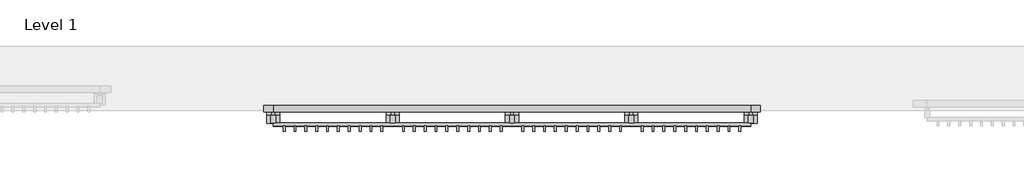
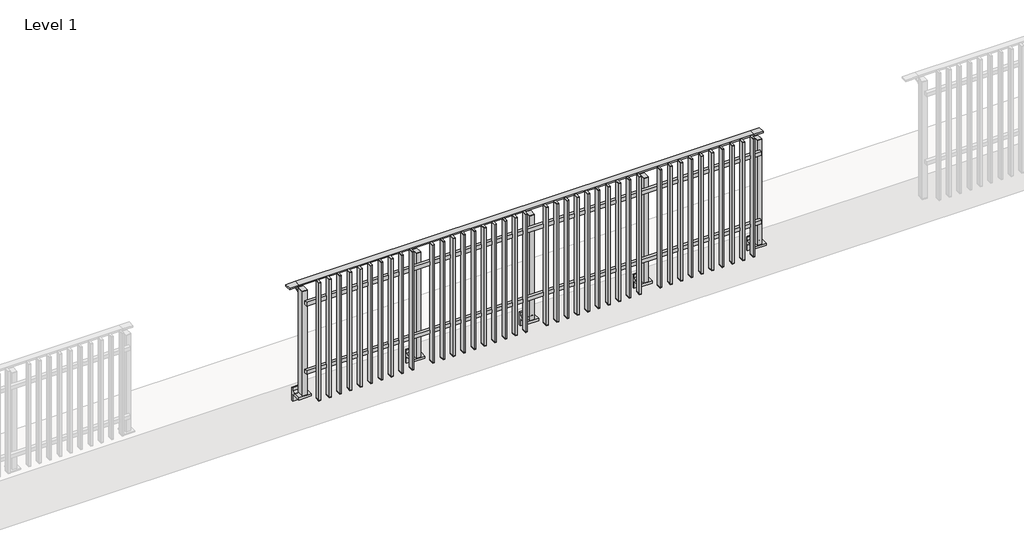
# One storey, part 2 of 17: 1 railing.
"""IFC4 building model written with IfcOpenShell, lengths in millimetres."""

from ifc_helpers import new_model, si_unit, point, frame, frame_2d, origin, place, context, project, spatial, polyline, circle_curve, trimmed, segment, composite_curve, outline, extrude, faceted_brep, element, save

model = new_model("IFC4")

# Units and contexts
model_context = context("Model", 3, world=origin())
ifc_project = project(units=[si_unit("LENGTHUNIT", "METRE", prefix="MILLI")], contexts=[model_context])

# Site, building, storey
site = spatial("IfcSite", under=ifc_project)
building = spatial("IfcBuilding", under=site)
storey = spatial("IfcBuildingStorey", under=building, Name="Level 1", Elevation=0.0)

# Railing
placement = place(None, origin())
element("IfcRailing", 1, at=placement, inside=storey, context=model_context, shape_type="SolidModel", body=[
    faceted_brep([(11910.0, -57.3153172, 1000.0), (11910.0, -57.3153172, 985.0), (11910.0, -117.3153172, 985.0), (11910.0, -117.3153172, 1000.0), (12000.0, -57.3153172, 1000.0), (12000.0, -57.3153172, 985.0), (12000.0, -117.3153172, 985.0), (12000.0, -117.3153172, 1000.0), (16400.0, -57.3153172, 1000.0), (16400.0, -57.3153172, 985.0), (16400.0, -117.3153172, 985.0), (16400.0, -117.3153172, 1000.0), (16490.0, -57.3153172, 1000.0), (16490.0, -117.3153172, 1000.0), (16490.0, -117.3153172, 985.0), (16490.0, -57.3153172, 985.0)], [[[0, 1, 2, 3]], [[1, 0, 4, 5]], [[2, 1, 5, 6]], [[3, 2, 6, 7]], [[0, 3, 7, 4]], [[5, 4, 8, 9]], [[6, 5, 9, 10]], [[7, 6, 10, 11]], [[4, 7, 11, 8]], [[12, 13, 14, 15]], [[9, 8, 12, 15]], [[10, 9, 15, 14]], [[11, 10, 14, 13]], [[8, 11, 13, 12]]]),
    extrude(outline(polyline([(12000.0, -246.8153172), (12000.0, -214.8153172), (16400.0, -214.8153172), (16400.0, -246.8153172), (12000.0, -246.8153172)])), frame((0.0, 0.0, 164.0), z_axis=(0.0, 0.0, 1.0), x_axis=(1.0, 0.0, 0.0)), (0.0, 0.0, 1.0), 36.0),
    extrude(outline(polyline([(12000.0, -246.8153172), (12000.0, -214.8153172), (16400.0, -214.8153172), (16400.0, -246.8153172), (12000.0, -246.8153172)])), frame((0.0, 0.0, 864.0), z_axis=(0.0, 0.0, 1.0), x_axis=(1.0, 0.0, 0.0)), (0.0, 0.0, 1.0), 36.0),
    extrude(outline(polyline([(16308.5, -246.8153172), (16308.5, -295.8153172), (16291.5, -295.8153172), (16291.5, -246.8153172), (16308.5, -246.8153172)])), frame((0.0, 0.0, -110.0), z_axis=(0.0, 0.0, 1.0), x_axis=(1.0, 0.0, 0.0)), (0.0, 0.0, 1.0), 5.0),
    extrude(outline(polyline([(16308.5, -246.8153172), (16308.5, -295.8153172), (16291.5, -295.8153172), (16291.5, -246.8153172), (16308.5, -246.8153172)])), frame((0.0, 0.0, 1095.0), z_axis=(0.0, 0.0, 1.0), x_axis=(1.0, 0.0, 0.0)), (0.0, 0.0, 1.0), 5.0),
    extrude(outline(polyline([(16291.5, -295.8153172), (16291.5, -246.8153172), (16308.5, -246.8153172), (16308.5, -295.8153172), (16291.5, -295.8153172)])), frame((0.0, 0.0, -105.0), z_axis=(0.0, 0.0, 1.0), x_axis=(1.0, 0.0, 0.0)), (0.0, 0.0, 1.0), 1200.0),
    extrude(outline(polyline([(16208.5, -246.8153172), (16208.5, -295.8153172), (16191.5, -295.8153172), (16191.5, -246.8153172), (16208.5, -246.8153172)])), frame((0.0, 0.0, -110.0), z_axis=(0.0, 0.0, 1.0), x_axis=(1.0, 0.0, 0.0)), (0.0, 0.0, 1.0), 5.0),
    extrude(outline(polyline([(16208.5, -246.8153172), (16208.5, -295.8153172), (16191.5, -295.8153172), (16191.5, -246.8153172), (16208.5, -246.8153172)])), frame((0.0, 0.0, 1095.0), z_axis=(0.0, 0.0, 1.0), x_axis=(1.0, 0.0, 0.0)), (0.0, 0.0, 1.0), 5.0),
    extrude(outline(polyline([(16191.5, -295.8153172), (16191.5, -246.8153172), (16208.5, -246.8153172), (16208.5, -295.8153172), (16191.5, -295.8153172)])), frame((0.0, 0.0, -105.0), z_axis=(0.0, 0.0, 1.0), x_axis=(1.0, 0.0, 0.0)), (0.0, 0.0, 1.0), 1200.0),
    extrude(outline(polyline([(16108.5, -246.8153172), (16108.5, -295.8153172), (16091.5, -295.8153172), (16091.5, -246.8153172), (16108.5, -246.8153172)])), frame((0.0, 0.0, -110.0), z_axis=(0.0, 0.0, 1.0), x_axis=(1.0, 0.0, 0.0)), (0.0, 0.0, 1.0), 5.0),
    extrude(outline(polyline([(16108.5, -246.8153172), (16108.5, -295.8153172), (16091.5, -295.8153172), (16091.5, -246.8153172), (16108.5, -246.8153172)])), frame((0.0, 0.0, 1095.0), z_axis=(0.0, 0.0, 1.0), x_axis=(1.0, 0.0, 0.0)), (0.0, 0.0, 1.0), 5.0),
    extrude(outline(polyline([(16091.5, -295.8153172), (16091.5, -246.8153172), (16108.5, -246.8153172), (16108.5, -295.8153172), (16091.5, -295.8153172)])), frame((0.0, 0.0, -105.0), z_axis=(0.0, 0.0, 1.0), x_axis=(1.0, 0.0, 0.0)), (0.0, 0.0, 1.0), 1200.0),
    extrude(outline(polyline([(16008.5, -246.8153172), (16008.5, -295.8153172), (15991.5, -295.8153172), (15991.5, -246.8153172), (16008.5, -246.8153172)])), frame((0.0, 0.0, -110.0), z_axis=(0.0, 0.0, 1.0), x_axis=(1.0, 0.0, 0.0)), (0.0, 0.0, 1.0), 5.0),
    extrude(outline(polyline([(16008.5, -246.8153172), (16008.5, -295.8153172), (15991.5, -295.8153172), (15991.5, -246.8153172), (16008.5, -246.8153172)])), frame((0.0, 0.0, 1095.0), z_axis=(0.0, 0.0, 1.0), x_axis=(1.0, 0.0, 0.0)), (0.0, 0.0, 1.0), 5.0),
    extrude(outline(polyline([(15991.5, -295.8153172), (15991.5, -246.8153172), (16008.5, -246.8153172), (16008.5, -295.8153172), (15991.5, -295.8153172)])), frame((0.0, 0.0, -105.0), z_axis=(0.0, 0.0, 1.0), x_axis=(1.0, 0.0, 0.0)), (0.0, 0.0, 1.0), 1200.0),
    extrude(outline(polyline([(15908.5, -246.8153172), (15908.5, -295.8153172), (15891.5, -295.8153172), (15891.5, -246.8153172), (15908.5, -246.8153172)])), frame((0.0, 0.0, -110.0), z_axis=(0.0, 0.0, 1.0), x_axis=(1.0, 0.0, 0.0)), (0.0, 0.0, 1.0), 5.0),
    extrude(outline(polyline([(15908.5, -246.8153172), (15908.5, -295.8153172), (15891.5, -295.8153172), (15891.5, -246.8153172), (15908.5, -246.8153172)])), frame((0.0, 0.0, 1095.0), z_axis=(0.0, 0.0, 1.0), x_axis=(1.0, 0.0, 0.0)), (0.0, 0.0, 1.0), 5.0),
    extrude(outline(polyline([(15891.5, -295.8153172), (15891.5, -246.8153172), (15908.5, -246.8153172), (15908.5, -295.8153172), (15891.5, -295.8153172)])), frame((0.0, 0.0, -105.0), z_axis=(0.0, 0.0, 1.0), x_axis=(1.0, 0.0, 0.0)), (0.0, 0.0, 1.0), 1200.0),
    extrude(outline(polyline([(15808.5, -246.8153172), (15808.5, -295.8153172), (15791.5, -295.8153172), (15791.5, -246.8153172), (15808.5, -246.8153172)])), frame((0.0, 0.0, -110.0), z_axis=(0.0, 0.0, 1.0), x_axis=(1.0, 0.0, 0.0)), (0.0, 0.0, 1.0), 5.0),
    extrude(outline(polyline([(15808.5, -246.8153172), (15808.5, -295.8153172), (15791.5, -295.8153172), (15791.5, -246.8153172), (15808.5, -246.8153172)])), frame((0.0, 0.0, 1095.0), z_axis=(0.0, 0.0, 1.0), x_axis=(1.0, 0.0, 0.0)), (0.0, 0.0, 1.0), 5.0),
    extrude(outline(polyline([(15791.5, -295.8153172), (15791.5, -246.8153172), (15808.5, -246.8153172), (15808.5, -295.8153172), (15791.5, -295.8153172)])), frame((0.0, 0.0, -105.0), z_axis=(0.0, 0.0, 1.0), x_axis=(1.0, 0.0, 0.0)), (0.0, 0.0, 1.0), 1200.0),
    extrude(outline(polyline([(15708.5, -246.8153172), (15708.5, -295.8153172), (15691.5, -295.8153172), (15691.5, -246.8153172), (15708.5, -246.8153172)])), frame((0.0, 0.0, -110.0), z_axis=(0.0, 0.0, 1.0), x_axis=(1.0, 0.0, 0.0)), (0.0, 0.0, 1.0), 5.0),
    extrude(outline(polyline([(15708.5, -246.8153172), (15708.5, -295.8153172), (15691.5, -295.8153172), (15691.5, -246.8153172), (15708.5, -246.8153172)])), frame((0.0, 0.0, 1095.0), z_axis=(0.0, 0.0, 1.0), x_axis=(1.0, 0.0, 0.0)), (0.0, 0.0, 1.0), 5.0),
    extrude(outline(polyline([(15691.5, -295.8153172), (15691.5, -246.8153172), (15708.5, -246.8153172), (15708.5, -295.8153172), (15691.5, -295.8153172)])), frame((0.0, 0.0, -105.0), z_axis=(0.0, 0.0, 1.0), x_axis=(1.0, 0.0, 0.0)), (0.0, 0.0, 1.0), 1200.0),
    extrude(outline(polyline([(15608.5, -246.8153172), (15608.5, -295.8153172), (15591.5, -295.8153172), (15591.5, -246.8153172), (15608.5, -246.8153172)])), frame((0.0, 0.0, -110.0), z_axis=(0.0, 0.0, 1.0), x_axis=(1.0, 0.0, 0.0)), (0.0, 0.0, 1.0), 5.0),
    extrude(outline(polyline([(15608.5, -246.8153172), (15608.5, -295.8153172), (15591.5, -295.8153172), (15591.5, -246.8153172), (15608.5, -246.8153172)])), frame((0.0, 0.0, 1095.0), z_axis=(0.0, 0.0, 1.0), x_axis=(1.0, 0.0, 0.0)), (0.0, 0.0, 1.0), 5.0),
    extrude(outline(polyline([(15591.5, -295.8153172), (15591.5, -246.8153172), (15608.5, -246.8153172), (15608.5, -295.8153172), (15591.5, -295.8153172)])), frame((0.0, 0.0, -105.0), z_axis=(0.0, 0.0, 1.0), x_axis=(1.0, 0.0, 0.0)), (0.0, 0.0, 1.0), 1200.0),
    extrude(outline(polyline([(15508.5, -246.8153172), (15508.5, -295.8153172), (15491.5, -295.8153172), (15491.5, -246.8153172), (15508.5, -246.8153172)])), frame((0.0, 0.0, -110.0), z_axis=(0.0, 0.0, 1.0), x_axis=(1.0, 0.0, 0.0)), (0.0, 0.0, 1.0), 5.0),
    extrude(outline(polyline([(15508.5, -246.8153172), (15508.5, -295.8153172), (15491.5, -295.8153172), (15491.5, -246.8153172), (15508.5, -246.8153172)])), frame((0.0, 0.0, 1095.0), z_axis=(0.0, 0.0, 1.0), x_axis=(1.0, 0.0, 0.0)), (0.0, 0.0, 1.0), 5.0),
    extrude(outline(polyline([(15491.5, -295.8153172), (15491.5, -246.8153172), (15508.5, -246.8153172), (15508.5, -295.8153172), (15491.5, -295.8153172)])), frame((0.0, 0.0, -105.0), z_axis=(0.0, 0.0, 1.0), x_axis=(1.0, 0.0, 0.0)), (0.0, 0.0, 1.0), 1200.0),
    extrude(outline(polyline([(15408.5, -246.8153172), (15408.5, -295.8153172), (15391.5, -295.8153172), (15391.5, -246.8153172), (15408.5, -246.8153172)])), frame((0.0, 0.0, -110.0), z_axis=(0.0, 0.0, 1.0), x_axis=(1.0, 0.0, 0.0)), (0.0, 0.0, 1.0), 5.0),
    extrude(outline(polyline([(15408.5, -246.8153172), (15408.5, -295.8153172), (15391.5, -295.8153172), (15391.5, -246.8153172), (15408.5, -246.8153172)])), frame((0.0, 0.0, 1095.0), z_axis=(0.0, 0.0, 1.0), x_axis=(1.0, 0.0, 0.0)), (0.0, 0.0, 1.0), 5.0),
    extrude(outline(polyline([(15391.5, -295.8153172), (15391.5, -246.8153172), (15408.5, -246.8153172), (15408.5, -295.8153172), (15391.5, -295.8153172)])), frame((0.0, 0.0, -105.0), z_axis=(0.0, 0.0, 1.0), x_axis=(1.0, 0.0, 0.0)), (0.0, 0.0, 1.0), 1200.0),
    extrude(outline(composite_curve([segment(polyline([(-61.8153172, 985.0), (-61.8153172, 960.900037)]), True, "CONTINUOUS"), segment(trimmed(circle_curve(frame_2d((-71.8153172, 960.900037)), 10.0), [point((-61.8153172, 960.900037))], [point((-69.2271267, 951.2407787))], False, "CARTESIAN"), True, "CONTINUOUS"), segment(polyline([(-69.2271267, 951.2407787), (-126.2755267, 935.9547061)]), True, "CONTINUOUS"), segment(trimmed(circle_curve(frame_2d((-123.6873362, 926.2954478)), 10.0), [point((-126.2755267, 935.9547061))], [point((-133.6017848, 927.6007097))], True, "CARTESIAN"), True, "CONTINUOUS"), segment(polyline([(-133.6017848, 927.6007097), (-138.208607, 892.6084214)]), True, "CONTINUOUS"), segment(trimmed(circle_curve(frame_2d((-141.1829416, 893.0)), 3.0), [point((-138.208607, 892.6084214))], [point((-141.1829416, 890.0))], False, "CARTESIAN"), True, "CONTINUOUS"), segment(polyline([(-141.1829416, 890.0), (-149.8153172, 890.0), (-149.8153172, 940.0), (-85.8153172, 957.1487483), (-85.8153172, 985.0), (-61.8153172, 985.0)]), True, "CONTINUOUS")], self_intersect=False)), frame((15287.5, 0.0, 0.0), z_axis=(1.0, 0.0, 0.0), x_axis=(0.0, 1.0, 0.0)), (0.0, 0.0, 1.0), 25.0),
    extrude(outline(composite_curve([segment(polyline([(-149.8153172, -70.0), (-115.8153172, -63.0), (-115.8153172, -32.5), (-99.8153172, -32.5), (-99.8153172, -167.5), (-115.8153172, -167.5), (-115.8153172, -113.5)]), True, "CONTINUOUS"), segment(trimmed(circle_curve(frame_2d((-135.8153172, -113.5)), 20.0), [point((-115.8153172, -113.5))], [point((-135.8153172, -93.5))], True, "CARTESIAN"), True, "CONTINUOUS"), segment(polyline([(-135.8153172, -93.5), (-219.8153172, -93.5), (-219.8153172, -70.0), (-149.8153172, -70.0)]), True, "CONTINUOUS")], self_intersect=False)), frame((15240.0, 0.0, 0.0), z_axis=(1.0, 0.0, 0.0), x_axis=(0.0, 1.0, 0.0)), (0.0, 0.0, 1.0), 120.0),
    extrude(outline(polyline([(15322.5, -149.8153172), (15322.5, -214.8153172), (15277.5, -214.8153172), (15277.5, -149.8153172), (15322.5, -149.8153172)])), frame((0.0, 0.0, -70.0), z_axis=(0.0, 0.0, 1.0), x_axis=(1.0, 0.0, 0.0)), (0.0, 0.0, 1.0), 1070.0),
    extrude(outline(polyline([(15322.5, -149.8153172), (15322.5, -214.8153172), (15277.5, -214.8153172), (15277.5, -149.8153172), (15322.5, -149.8153172)])), frame((0.0, 0.0, 1000.0), z_axis=(0.0, 0.0, 1.0), x_axis=(1.0, 0.0, 0.0)), (0.0, 0.0, 1.0), 5.0),
    extrude(outline(polyline([(15208.5, -246.8153172), (15208.5, -295.8153172), (15191.5, -295.8153172), (15191.5, -246.8153172), (15208.5, -246.8153172)])), frame((0.0, 0.0, -110.0), z_axis=(0.0, 0.0, 1.0), x_axis=(1.0, 0.0, 0.0)), (0.0, 0.0, 1.0), 5.0),
    extrude(outline(polyline([(15208.5, -246.8153172), (15208.5, -295.8153172), (15191.5, -295.8153172), (15191.5, -246.8153172), (15208.5, -246.8153172)])), frame((0.0, 0.0, 1095.0), z_axis=(0.0, 0.0, 1.0), x_axis=(1.0, 0.0, 0.0)), (0.0, 0.0, 1.0), 5.0),
    extrude(outline(polyline([(15191.5, -295.8153172), (15191.5, -246.8153172), (15208.5, -246.8153172), (15208.5, -295.8153172), (15191.5, -295.8153172)])), frame((0.0, 0.0, -105.0), z_axis=(0.0, 0.0, 1.0), x_axis=(1.0, 0.0, 0.0)), (0.0, 0.0, 1.0), 1200.0),
    extrude(outline(polyline([(15108.5, -246.8153172), (15108.5, -295.8153172), (15091.5, -295.8153172), (15091.5, -246.8153172), (15108.5, -246.8153172)])), frame((0.0, 0.0, -110.0), z_axis=(0.0, 0.0, 1.0), x_axis=(1.0, 0.0, 0.0)), (0.0, 0.0, 1.0), 5.0),
    extrude(outline(polyline([(15108.5, -246.8153172), (15108.5, -295.8153172), (15091.5, -295.8153172), (15091.5, -246.8153172), (15108.5, -246.8153172)])), frame((0.0, 0.0, 1095.0), z_axis=(0.0, 0.0, 1.0), x_axis=(1.0, 0.0, 0.0)), (0.0, 0.0, 1.0), 5.0),
    extrude(outline(polyline([(15091.5, -295.8153172), (15091.5, -246.8153172), (15108.5, -246.8153172), (15108.5, -295.8153172), (15091.5, -295.8153172)])), frame((0.0, 0.0, -105.0), z_axis=(0.0, 0.0, 1.0), x_axis=(1.0, 0.0, 0.0)), (0.0, 0.0, 1.0), 1200.0),
    extrude(outline(polyline([(15008.5, -246.8153172), (15008.5, -295.8153172), (14991.5, -295.8153172), (14991.5, -246.8153172), (15008.5, -246.8153172)])), frame((0.0, 0.0, -110.0), z_axis=(0.0, 0.0, 1.0), x_axis=(1.0, 0.0, 0.0)), (0.0, 0.0, 1.0), 5.0),
    extrude(outline(polyline([(15008.5, -246.8153172), (15008.5, -295.8153172), (14991.5, -295.8153172), (14991.5, -246.8153172), (15008.5, -246.8153172)])), frame((0.0, 0.0, 1095.0), z_axis=(0.0, 0.0, 1.0), x_axis=(1.0, 0.0, 0.0)), (0.0, 0.0, 1.0), 5.0),
    extrude(outline(polyline([(14991.5, -295.8153172), (14991.5, -246.8153172), (15008.5, -246.8153172), (15008.5, -295.8153172), (14991.5, -295.8153172)])), frame((0.0, 0.0, -105.0), z_axis=(0.0, 0.0, 1.0), x_axis=(1.0, 0.0, 0.0)), (0.0, 0.0, 1.0), 1200.0),
    extrude(outline(polyline([(14908.5, -246.8153172), (14908.5, -295.8153172), (14891.5, -295.8153172), (14891.5, -246.8153172), (14908.5, -246.8153172)])), frame((0.0, 0.0, -110.0), z_axis=(0.0, 0.0, 1.0), x_axis=(1.0, 0.0, 0.0)), (0.0, 0.0, 1.0), 5.0),
    extrude(outline(polyline([(14908.5, -246.8153172), (14908.5, -295.8153172), (14891.5, -295.8153172), (14891.5, -246.8153172), (14908.5, -246.8153172)])), frame((0.0, 0.0, 1095.0), z_axis=(0.0, 0.0, 1.0), x_axis=(1.0, 0.0, 0.0)), (0.0, 0.0, 1.0), 5.0),
    extrude(outline(polyline([(14891.5, -295.8153172), (14891.5, -246.8153172), (14908.5, -246.8153172), (14908.5, -295.8153172), (14891.5, -295.8153172)])), frame((0.0, 0.0, -105.0), z_axis=(0.0, 0.0, 1.0), x_axis=(1.0, 0.0, 0.0)), (0.0, 0.0, 1.0), 1200.0),
    extrude(outline(polyline([(14808.5, -246.8153172), (14808.5, -295.8153172), (14791.5, -295.8153172), (14791.5, -246.8153172), (14808.5, -246.8153172)])), frame((0.0, 0.0, -110.0), z_axis=(0.0, 0.0, 1.0), x_axis=(1.0, 0.0, 0.0)), (0.0, 0.0, 1.0), 5.0),
    extrude(outline(polyline([(14808.5, -246.8153172), (14808.5, -295.8153172), (14791.5, -295.8153172), (14791.5, -246.8153172), (14808.5, -246.8153172)])), frame((0.0, 0.0, 1095.0), z_axis=(0.0, 0.0, 1.0), x_axis=(1.0, 0.0, 0.0)), (0.0, 0.0, 1.0), 5.0),
    extrude(outline(polyline([(14791.5, -295.8153172), (14791.5, -246.8153172), (14808.5, -246.8153172), (14808.5, -295.8153172), (14791.5, -295.8153172)])), frame((0.0, 0.0, -105.0), z_axis=(0.0, 0.0, 1.0), x_axis=(1.0, 0.0, 0.0)), (0.0, 0.0, 1.0), 1200.0),
    extrude(outline(polyline([(14708.5, -246.8153172), (14708.5, -295.8153172), (14691.5, -295.8153172), (14691.5, -246.8153172), (14708.5, -246.8153172)])), frame((0.0, 0.0, -110.0), z_axis=(0.0, 0.0, 1.0), x_axis=(1.0, 0.0, 0.0)), (0.0, 0.0, 1.0), 5.0),
    extrude(outline(polyline([(14708.5, -246.8153172), (14708.5, -295.8153172), (14691.5, -295.8153172), (14691.5, -246.8153172), (14708.5, -246.8153172)])), frame((0.0, 0.0, 1095.0), z_axis=(0.0, 0.0, 1.0), x_axis=(1.0, 0.0, 0.0)), (0.0, 0.0, 1.0), 5.0),
    extrude(outline(polyline([(14691.5, -295.8153172), (14691.5, -246.8153172), (14708.5, -246.8153172), (14708.5, -295.8153172), (14691.5, -295.8153172)])), frame((0.0, 0.0, -105.0), z_axis=(0.0, 0.0, 1.0), x_axis=(1.0, 0.0, 0.0)), (0.0, 0.0, 1.0), 1200.0),
    extrude(outline(polyline([(14608.5, -246.8153172), (14608.5, -295.8153172), (14591.5, -295.8153172), (14591.5, -246.8153172), (14608.5, -246.8153172)])), frame((0.0, 0.0, -110.0), z_axis=(0.0, 0.0, 1.0), x_axis=(1.0, 0.0, 0.0)), (0.0, 0.0, 1.0), 5.0),
    extrude(outline(polyline([(14608.5, -246.8153172), (14608.5, -295.8153172), (14591.5, -295.8153172), (14591.5, -246.8153172), (14608.5, -246.8153172)])), frame((0.0, 0.0, 1095.0), z_axis=(0.0, 0.0, 1.0), x_axis=(1.0, 0.0, 0.0)), (0.0, 0.0, 1.0), 5.0),
    extrude(outline(polyline([(14591.5, -295.8153172), (14591.5, -246.8153172), (14608.5, -246.8153172), (14608.5, -295.8153172), (14591.5, -295.8153172)])), frame((0.0, 0.0, -105.0), z_axis=(0.0, 0.0, 1.0), x_axis=(1.0, 0.0, 0.0)), (0.0, 0.0, 1.0), 1200.0),
    extrude(outline(polyline([(14508.5, -246.8153172), (14508.5, -295.8153172), (14491.5, -295.8153172), (14491.5, -246.8153172), (14508.5, -246.8153172)])), frame((0.0, 0.0, -110.0), z_axis=(0.0, 0.0, 1.0), x_axis=(1.0, 0.0, 0.0)), (0.0, 0.0, 1.0), 5.0),
    extrude(outline(polyline([(14508.5, -246.8153172), (14508.5, -295.8153172), (14491.5, -295.8153172), (14491.5, -246.8153172), (14508.5, -246.8153172)])), frame((0.0, 0.0, 1095.0), z_axis=(0.0, 0.0, 1.0), x_axis=(1.0, 0.0, 0.0)), (0.0, 0.0, 1.0), 5.0),
    extrude(outline(polyline([(14491.5, -295.8153172), (14491.5, -246.8153172), (14508.5, -246.8153172), (14508.5, -295.8153172), (14491.5, -295.8153172)])), frame((0.0, 0.0, -105.0), z_axis=(0.0, 0.0, 1.0), x_axis=(1.0, 0.0, 0.0)), (0.0, 0.0, 1.0), 1200.0),
    extrude(outline(polyline([(14408.5, -246.8153172), (14408.5, -295.8153172), (14391.5, -295.8153172), (14391.5, -246.8153172), (14408.5, -246.8153172)])), frame((0.0, 0.0, -110.0), z_axis=(0.0, 0.0, 1.0), x_axis=(1.0, 0.0, 0.0)), (0.0, 0.0, 1.0), 5.0),
    extrude(outline(polyline([(14408.5, -246.8153172), (14408.5, -295.8153172), (14391.5, -295.8153172), (14391.5, -246.8153172), (14408.5, -246.8153172)])), frame((0.0, 0.0, 1095.0), z_axis=(0.0, 0.0, 1.0), x_axis=(1.0, 0.0, 0.0)), (0.0, 0.0, 1.0), 5.0),
    extrude(outline(polyline([(14391.5, -295.8153172), (14391.5, -246.8153172), (14408.5, -246.8153172), (14408.5, -295.8153172), (14391.5, -295.8153172)])), frame((0.0, 0.0, -105.0), z_axis=(0.0, 0.0, 1.0), x_axis=(1.0, 0.0, 0.0)), (0.0, 0.0, 1.0), 1200.0),
    extrude(outline(polyline([(14308.5, -246.8153172), (14308.5, -295.8153172), (14291.5, -295.8153172), (14291.5, -246.8153172), (14308.5, -246.8153172)])), frame((0.0, 0.0, -110.0), z_axis=(0.0, 0.0, 1.0), x_axis=(1.0, 0.0, 0.0)), (0.0, 0.0, 1.0), 5.0),
    extrude(outline(polyline([(14308.5, -246.8153172), (14308.5, -295.8153172), (14291.5, -295.8153172), (14291.5, -246.8153172), (14308.5, -246.8153172)])), frame((0.0, 0.0, 1095.0), z_axis=(0.0, 0.0, 1.0), x_axis=(1.0, 0.0, 0.0)), (0.0, 0.0, 1.0), 5.0),
    extrude(outline(polyline([(14291.5, -295.8153172), (14291.5, -246.8153172), (14308.5, -246.8153172), (14308.5, -295.8153172), (14291.5, -295.8153172)])), frame((0.0, 0.0, -105.0), z_axis=(0.0, 0.0, 1.0), x_axis=(1.0, 0.0, 0.0)), (0.0, 0.0, 1.0), 1200.0),
    extrude(outline(composite_curve([segment(polyline([(-61.8153172, 985.0), (-61.8153172, 960.900037)]), True, "CONTINUOUS"), segment(trimmed(circle_curve(frame_2d((-71.8153172, 960.900037)), 10.0), [point((-61.8153172, 960.900037))], [point((-69.2271267, 951.2407787))], False, "CARTESIAN"), True, "CONTINUOUS"), segment(polyline([(-69.2271267, 951.2407787), (-126.2755267, 935.9547061)]), True, "CONTINUOUS"), segment(trimmed(circle_curve(frame_2d((-123.6873362, 926.2954478)), 10.0), [point((-126.2755267, 935.9547061))], [point((-133.6017848, 927.6007097))], True, "CARTESIAN"), True, "CONTINUOUS"), segment(polyline([(-133.6017848, 927.6007097), (-138.208607, 892.6084214)]), True, "CONTINUOUS"), segment(trimmed(circle_curve(frame_2d((-141.1829416, 893.0)), 3.0), [point((-138.208607, 892.6084214))], [point((-141.1829416, 890.0))], False, "CARTESIAN"), True, "CONTINUOUS"), segment(polyline([(-141.1829416, 890.0), (-149.8153172, 890.0), (-149.8153172, 940.0), (-85.8153172, 957.1487483), (-85.8153172, 985.0), (-61.8153172, 985.0)]), True, "CONTINUOUS")], self_intersect=False)), frame((14187.5, 0.0, 0.0), z_axis=(1.0, 0.0, 0.0), x_axis=(0.0, 1.0, 0.0)), (0.0, 0.0, 1.0), 25.0),
    extrude(outline(composite_curve([segment(polyline([(-149.8153172, -70.0), (-115.8153172, -63.0), (-115.8153172, -32.5), (-99.8153172, -32.5), (-99.8153172, -167.5), (-115.8153172, -167.5), (-115.8153172, -113.5)]), True, "CONTINUOUS"), segment(trimmed(circle_curve(frame_2d((-135.8153172, -113.5)), 20.0), [point((-115.8153172, -113.5))], [point((-135.8153172, -93.5))], True, "CARTESIAN"), True, "CONTINUOUS"), segment(polyline([(-135.8153172, -93.5), (-219.8153172, -93.5), (-219.8153172, -70.0), (-149.8153172, -70.0)]), True, "CONTINUOUS")], self_intersect=False)), frame((14140.0, 0.0, 0.0), z_axis=(1.0, 0.0, 0.0), x_axis=(0.0, 1.0, 0.0)), (0.0, 0.0, 1.0), 120.0),
    extrude(outline(polyline([(14222.5, -149.8153172), (14222.5, -214.8153172), (14177.5, -214.8153172), (14177.5, -149.8153172), (14222.5, -149.8153172)])), frame((0.0, 0.0, -70.0), z_axis=(0.0, 0.0, 1.0), x_axis=(1.0, 0.0, 0.0)), (0.0, 0.0, 1.0), 1070.0),
    extrude(outline(polyline([(14222.5, -149.8153172), (14222.5, -214.8153172), (14177.5, -214.8153172), (14177.5, -149.8153172), (14222.5, -149.8153172)])), frame((0.0, 0.0, 1000.0), z_axis=(0.0, 0.0, 1.0), x_axis=(1.0, 0.0, 0.0)), (0.0, 0.0, 1.0), 5.0),
    extrude(outline(polyline([(14108.5, -246.8153172), (14108.5, -295.8153172), (14091.5, -295.8153172), (14091.5, -246.8153172), (14108.5, -246.8153172)])), frame((0.0, 0.0, -110.0), z_axis=(0.0, 0.0, 1.0), x_axis=(1.0, 0.0, 0.0)), (0.0, 0.0, 1.0), 5.0),
    extrude(outline(polyline([(14108.5, -246.8153172), (14108.5, -295.8153172), (14091.5, -295.8153172), (14091.5, -246.8153172), (14108.5, -246.8153172)])), frame((0.0, 0.0, 1095.0), z_axis=(0.0, 0.0, 1.0), x_axis=(1.0, 0.0, 0.0)), (0.0, 0.0, 1.0), 5.0),
    extrude(outline(polyline([(14091.5, -295.8153172), (14091.5, -246.8153172), (14108.5, -246.8153172), (14108.5, -295.8153172), (14091.5, -295.8153172)])), frame((0.0, 0.0, -105.0), z_axis=(0.0, 0.0, 1.0), x_axis=(1.0, 0.0, 0.0)), (0.0, 0.0, 1.0), 1200.0),
    extrude(outline(polyline([(14008.5, -246.8153172), (14008.5, -295.8153172), (13991.5, -295.8153172), (13991.5, -246.8153172), (14008.5, -246.8153172)])), frame((0.0, 0.0, -110.0), z_axis=(0.0, 0.0, 1.0), x_axis=(1.0, 0.0, 0.0)), (0.0, 0.0, 1.0), 5.0),
    extrude(outline(polyline([(14008.5, -246.8153172), (14008.5, -295.8153172), (13991.5, -295.8153172), (13991.5, -246.8153172), (14008.5, -246.8153172)])), frame((0.0, 0.0, 1095.0), z_axis=(0.0, 0.0, 1.0), x_axis=(1.0, 0.0, 0.0)), (0.0, 0.0, 1.0), 5.0),
    extrude(outline(polyline([(13991.5, -295.8153172), (13991.5, -246.8153172), (14008.5, -246.8153172), (14008.5, -295.8153172), (13991.5, -295.8153172)])), frame((0.0, 0.0, -105.0), z_axis=(0.0, 0.0, 1.0), x_axis=(1.0, 0.0, 0.0)), (0.0, 0.0, 1.0), 1200.0),
    extrude(outline(polyline([(13908.5, -246.8153172), (13908.5, -295.8153172), (13891.5, -295.8153172), (13891.5, -246.8153172), (13908.5, -246.8153172)])), frame((0.0, 0.0, -110.0), z_axis=(0.0, 0.0, 1.0), x_axis=(1.0, 0.0, 0.0)), (0.0, 0.0, 1.0), 5.0),
    extrude(outline(polyline([(13908.5, -246.8153172), (13908.5, -295.8153172), (13891.5, -295.8153172), (13891.5, -246.8153172), (13908.5, -246.8153172)])), frame((0.0, 0.0, 1095.0), z_axis=(0.0, 0.0, 1.0), x_axis=(1.0, 0.0, 0.0)), (0.0, 0.0, 1.0), 5.0),
    extrude(outline(polyline([(13891.5, -295.8153172), (13891.5, -246.8153172), (13908.5, -246.8153172), (13908.5, -295.8153172), (13891.5, -295.8153172)])), frame((0.0, 0.0, -105.0), z_axis=(0.0, 0.0, 1.0), x_axis=(1.0, 0.0, 0.0)), (0.0, 0.0, 1.0), 1200.0),
    extrude(outline(polyline([(13808.5, -246.8153172), (13808.5, -295.8153172), (13791.5, -295.8153172), (13791.5, -246.8153172), (13808.5, -246.8153172)])), frame((0.0, 0.0, -110.0), z_axis=(0.0, 0.0, 1.0), x_axis=(1.0, 0.0, 0.0)), (0.0, 0.0, 1.0), 5.0),
    extrude(outline(polyline([(13808.5, -246.8153172), (13808.5, -295.8153172), (13791.5, -295.8153172), (13791.5, -246.8153172), (13808.5, -246.8153172)])), frame((0.0, 0.0, 1095.0), z_axis=(0.0, 0.0, 1.0), x_axis=(1.0, 0.0, 0.0)), (0.0, 0.0, 1.0), 5.0),
    extrude(outline(polyline([(13791.5, -295.8153172), (13791.5, -246.8153172), (13808.5, -246.8153172), (13808.5, -295.8153172), (13791.5, -295.8153172)])), frame((0.0, 0.0, -105.0), z_axis=(0.0, 0.0, 1.0), x_axis=(1.0, 0.0, 0.0)), (0.0, 0.0, 1.0), 1200.0),
    extrude(outline(polyline([(13708.5, -246.8153172), (13708.5, -295.8153172), (13691.5, -295.8153172), (13691.5, -246.8153172), (13708.5, -246.8153172)])), frame((0.0, 0.0, -110.0), z_axis=(0.0, 0.0, 1.0), x_axis=(1.0, 0.0, 0.0)), (0.0, 0.0, 1.0), 5.0),
    extrude(outline(polyline([(13708.5, -246.8153172), (13708.5, -295.8153172), (13691.5, -295.8153172), (13691.5, -246.8153172), (13708.5, -246.8153172)])), frame((0.0, 0.0, 1095.0), z_axis=(0.0, 0.0, 1.0), x_axis=(1.0, 0.0, 0.0)), (0.0, 0.0, 1.0), 5.0),
    extrude(outline(polyline([(13691.5, -295.8153172), (13691.5, -246.8153172), (13708.5, -246.8153172), (13708.5, -295.8153172), (13691.5, -295.8153172)])), frame((0.0, 0.0, -105.0), z_axis=(0.0, 0.0, 1.0), x_axis=(1.0, 0.0, 0.0)), (0.0, 0.0, 1.0), 1200.0),
    extrude(outline(polyline([(13608.5, -246.8153172), (13608.5, -295.8153172), (13591.5, -295.8153172), (13591.5, -246.8153172), (13608.5, -246.8153172)])), frame((0.0, 0.0, -110.0), z_axis=(0.0, 0.0, 1.0), x_axis=(1.0, 0.0, 0.0)), (0.0, 0.0, 1.0), 5.0),
    extrude(outline(polyline([(13608.5, -246.8153172), (13608.5, -295.8153172), (13591.5, -295.8153172), (13591.5, -246.8153172), (13608.5, -246.8153172)])), frame((0.0, 0.0, 1095.0), z_axis=(0.0, 0.0, 1.0), x_axis=(1.0, 0.0, 0.0)), (0.0, 0.0, 1.0), 5.0),
    extrude(outline(polyline([(13591.5, -295.8153172), (13591.5, -246.8153172), (13608.5, -246.8153172), (13608.5, -295.8153172), (13591.5, -295.8153172)])), frame((0.0, 0.0, -105.0), z_axis=(0.0, 0.0, 1.0), x_axis=(1.0, 0.0, 0.0)), (0.0, 0.0, 1.0), 1200.0),
    extrude(outline(polyline([(13508.5, -246.8153172), (13508.5, -295.8153172), (13491.5, -295.8153172), (13491.5, -246.8153172), (13508.5, -246.8153172)])), frame((0.0, 0.0, -110.0), z_axis=(0.0, 0.0, 1.0), x_axis=(1.0, 0.0, 0.0)), (0.0, 0.0, 1.0), 5.0),
    extrude(outline(polyline([(13508.5, -246.8153172), (13508.5, -295.8153172), (13491.5, -295.8153172), (13491.5, -246.8153172), (13508.5, -246.8153172)])), frame((0.0, 0.0, 1095.0), z_axis=(0.0, 0.0, 1.0), x_axis=(1.0, 0.0, 0.0)), (0.0, 0.0, 1.0), 5.0),
    extrude(outline(polyline([(13491.5, -295.8153172), (13491.5, -246.8153172), (13508.5, -246.8153172), (13508.5, -295.8153172), (13491.5, -295.8153172)])), frame((0.0, 0.0, -105.0), z_axis=(0.0, 0.0, 1.0), x_axis=(1.0, 0.0, 0.0)), (0.0, 0.0, 1.0), 1200.0),
    extrude(outline(polyline([(13408.5, -246.8153172), (13408.5, -295.8153172), (13391.5, -295.8153172), (13391.5, -246.8153172), (13408.5, -246.8153172)])), frame((0.0, 0.0, -110.0), z_axis=(0.0, 0.0, 1.0), x_axis=(1.0, 0.0, 0.0)), (0.0, 0.0, 1.0), 5.0),
    extrude(outline(polyline([(13408.5, -246.8153172), (13408.5, -295.8153172), (13391.5, -295.8153172), (13391.5, -246.8153172), (13408.5, -246.8153172)])), frame((0.0, 0.0, 1095.0), z_axis=(0.0, 0.0, 1.0), x_axis=(1.0, 0.0, 0.0)), (0.0, 0.0, 1.0), 5.0),
    extrude(outline(polyline([(13391.5, -295.8153172), (13391.5, -246.8153172), (13408.5, -246.8153172), (13408.5, -295.8153172), (13391.5, -295.8153172)])), frame((0.0, 0.0, -105.0), z_axis=(0.0, 0.0, 1.0), x_axis=(1.0, 0.0, 0.0)), (0.0, 0.0, 1.0), 1200.0),
    extrude(outline(polyline([(13308.5, -246.8153172), (13308.5, -295.8153172), (13291.5, -295.8153172), (13291.5, -246.8153172), (13308.5, -246.8153172)])), frame((0.0, 0.0, -110.0), z_axis=(0.0, 0.0, 1.0), x_axis=(1.0, 0.0, 0.0)), (0.0, 0.0, 1.0), 5.0),
    extrude(outline(polyline([(13308.5, -246.8153172), (13308.5, -295.8153172), (13291.5, -295.8153172), (13291.5, -246.8153172), (13308.5, -246.8153172)])), frame((0.0, 0.0, 1095.0), z_axis=(0.0, 0.0, 1.0), x_axis=(1.0, 0.0, 0.0)), (0.0, 0.0, 1.0), 5.0),
    extrude(outline(polyline([(13291.5, -295.8153172), (13291.5, -246.8153172), (13308.5, -246.8153172), (13308.5, -295.8153172), (13291.5, -295.8153172)])), frame((0.0, 0.0, -105.0), z_axis=(0.0, 0.0, 1.0), x_axis=(1.0, 0.0, 0.0)), (0.0, 0.0, 1.0), 1200.0),
    extrude(outline(polyline([(13208.5, -246.8153172), (13208.5, -295.8153172), (13191.5, -295.8153172), (13191.5, -246.8153172), (13208.5, -246.8153172)])), frame((0.0, 0.0, -110.0), z_axis=(0.0, 0.0, 1.0), x_axis=(1.0, 0.0, 0.0)), (0.0, 0.0, 1.0), 5.0),
    extrude(outline(polyline([(13208.5, -246.8153172), (13208.5, -295.8153172), (13191.5, -295.8153172), (13191.5, -246.8153172), (13208.5, -246.8153172)])), frame((0.0, 0.0, 1095.0), z_axis=(0.0, 0.0, 1.0), x_axis=(1.0, 0.0, 0.0)), (0.0, 0.0, 1.0), 5.0),
    extrude(outline(polyline([(13191.5, -295.8153172), (13191.5, -246.8153172), (13208.5, -246.8153172), (13208.5, -295.8153172), (13191.5, -295.8153172)])), frame((0.0, 0.0, -105.0), z_axis=(0.0, 0.0, 1.0), x_axis=(1.0, 0.0, 0.0)), (0.0, 0.0, 1.0), 1200.0),
    extrude(outline(composite_curve([segment(polyline([(-61.8153172, 985.0), (-61.8153172, 960.900037)]), True, "CONTINUOUS"), segment(trimmed(circle_curve(frame_2d((-71.8153172, 960.900037)), 10.0), [point((-61.8153172, 960.900037))], [point((-69.2271267, 951.2407787))], False, "CARTESIAN"), True, "CONTINUOUS"), segment(polyline([(-69.2271267, 951.2407787), (-126.2755267, 935.9547061)]), True, "CONTINUOUS"), segment(trimmed(circle_curve(frame_2d((-123.6873362, 926.2954478)), 10.0), [point((-126.2755267, 935.9547061))], [point((-133.6017848, 927.6007097))], True, "CARTESIAN"), True, "CONTINUOUS"), segment(polyline([(-133.6017848, 927.6007097), (-138.208607, 892.6084214)]), True, "CONTINUOUS"), segment(trimmed(circle_curve(frame_2d((-141.1829416, 893.0)), 3.0), [point((-138.208607, 892.6084214))], [point((-141.1829416, 890.0))], False, "CARTESIAN"), True, "CONTINUOUS"), segment(polyline([(-141.1829416, 890.0), (-149.8153172, 890.0), (-149.8153172, 940.0), (-85.8153172, 957.1487483), (-85.8153172, 985.0), (-61.8153172, 985.0)]), True, "CONTINUOUS")], self_intersect=False)), frame((13087.5, 0.0, 0.0), z_axis=(1.0, 0.0, 0.0), x_axis=(0.0, 1.0, 0.0)), (0.0, 0.0, 1.0), 25.0),
    extrude(outline(composite_curve([segment(polyline([(-149.8153172, -70.0), (-115.8153172, -63.0), (-115.8153172, -32.5), (-99.8153172, -32.5), (-99.8153172, -167.5), (-115.8153172, -167.5), (-115.8153172, -113.5)]), True, "CONTINUOUS"), segment(trimmed(circle_curve(frame_2d((-135.8153172, -113.5)), 20.0), [point((-115.8153172, -113.5))], [point((-135.8153172, -93.5))], True, "CARTESIAN"), True, "CONTINUOUS"), segment(polyline([(-135.8153172, -93.5), (-219.8153172, -93.5), (-219.8153172, -70.0), (-149.8153172, -70.0)]), True, "CONTINUOUS")], self_intersect=False)), frame((13040.0, 0.0, 0.0), z_axis=(1.0, 0.0, 0.0), x_axis=(0.0, 1.0, 0.0)), (0.0, 0.0, 1.0), 120.0),
    extrude(outline(polyline([(13122.5, -149.8153172), (13122.5, -214.8153172), (13077.5, -214.8153172), (13077.5, -149.8153172), (13122.5, -149.8153172)])), frame((0.0, 0.0, -70.0), z_axis=(0.0, 0.0, 1.0), x_axis=(1.0, 0.0, 0.0)), (0.0, 0.0, 1.0), 1070.0),
    extrude(outline(polyline([(13122.5, -149.8153172), (13122.5, -214.8153172), (13077.5, -214.8153172), (13077.5, -149.8153172), (13122.5, -149.8153172)])), frame((0.0, 0.0, 1000.0), z_axis=(0.0, 0.0, 1.0), x_axis=(1.0, 0.0, 0.0)), (0.0, 0.0, 1.0), 5.0),
    extrude(outline(polyline([(13008.5, -246.8153172), (13008.5, -295.8153172), (12991.5, -295.8153172), (12991.5, -246.8153172), (13008.5, -246.8153172)])), frame((0.0, 0.0, -110.0), z_axis=(0.0, 0.0, 1.0), x_axis=(1.0, 0.0, 0.0)), (0.0, 0.0, 1.0), 5.0),
    extrude(outline(polyline([(13008.5, -246.8153172), (13008.5, -295.8153172), (12991.5, -295.8153172), (12991.5, -246.8153172), (13008.5, -246.8153172)])), frame((0.0, 0.0, 1095.0), z_axis=(0.0, 0.0, 1.0), x_axis=(1.0, 0.0, 0.0)), (0.0, 0.0, 1.0), 5.0),
    extrude(outline(polyline([(12991.5, -295.8153172), (12991.5, -246.8153172), (13008.5, -246.8153172), (13008.5, -295.8153172), (12991.5, -295.8153172)])), frame((0.0, 0.0, -105.0), z_axis=(0.0, 0.0, 1.0), x_axis=(1.0, 0.0, 0.0)), (0.0, 0.0, 1.0), 1200.0),
    extrude(outline(polyline([(12908.5, -246.8153172), (12908.5, -295.8153172), (12891.5, -295.8153172), (12891.5, -246.8153172), (12908.5, -246.8153172)])), frame((0.0, 0.0, -110.0), z_axis=(0.0, 0.0, 1.0), x_axis=(1.0, 0.0, 0.0)), (0.0, 0.0, 1.0), 5.0),
    extrude(outline(polyline([(12908.5, -246.8153172), (12908.5, -295.8153172), (12891.5, -295.8153172), (12891.5, -246.8153172), (12908.5, -246.8153172)])), frame((0.0, 0.0, 1095.0), z_axis=(0.0, 0.0, 1.0), x_axis=(1.0, 0.0, 0.0)), (0.0, 0.0, 1.0), 5.0),
    extrude(outline(polyline([(12891.5, -295.8153172), (12891.5, -246.8153172), (12908.5, -246.8153172), (12908.5, -295.8153172), (12891.5, -295.8153172)])), frame((0.0, 0.0, -105.0), z_axis=(0.0, 0.0, 1.0), x_axis=(1.0, 0.0, 0.0)), (0.0, 0.0, 1.0), 1200.0),
    extrude(outline(polyline([(12808.5, -246.8153172), (12808.5, -295.8153172), (12791.5, -295.8153172), (12791.5, -246.8153172), (12808.5, -246.8153172)])), frame((0.0, 0.0, -110.0), z_axis=(0.0, 0.0, 1.0), x_axis=(1.0, 0.0, 0.0)), (0.0, 0.0, 1.0), 5.0),
    extrude(outline(polyline([(12808.5, -246.8153172), (12808.5, -295.8153172), (12791.5, -295.8153172), (12791.5, -246.8153172), (12808.5, -246.8153172)])), frame((0.0, 0.0, 1095.0), z_axis=(0.0, 0.0, 1.0), x_axis=(1.0, 0.0, 0.0)), (0.0, 0.0, 1.0), 5.0),
    extrude(outline(polyline([(12791.5, -295.8153172), (12791.5, -246.8153172), (12808.5, -246.8153172), (12808.5, -295.8153172), (12791.5, -295.8153172)])), frame((0.0, 0.0, -105.0), z_axis=(0.0, 0.0, 1.0), x_axis=(1.0, 0.0, 0.0)), (0.0, 0.0, 1.0), 1200.0),
    extrude(outline(polyline([(12708.5, -246.8153172), (12708.5, -295.8153172), (12691.5, -295.8153172), (12691.5, -246.8153172), (12708.5, -246.8153172)])), frame((0.0, 0.0, -110.0), z_axis=(0.0, 0.0, 1.0), x_axis=(1.0, 0.0, 0.0)), (0.0, 0.0, 1.0), 5.0),
    extrude(outline(polyline([(12708.5, -246.8153172), (12708.5, -295.8153172), (12691.5, -295.8153172), (12691.5, -246.8153172), (12708.5, -246.8153172)])), frame((0.0, 0.0, 1095.0), z_axis=(0.0, 0.0, 1.0), x_axis=(1.0, 0.0, 0.0)), (0.0, 0.0, 1.0), 5.0),
    extrude(outline(polyline([(12691.5, -295.8153172), (12691.5, -246.8153172), (12708.5, -246.8153172), (12708.5, -295.8153172), (12691.5, -295.8153172)])), frame((0.0, 0.0, -105.0), z_axis=(0.0, 0.0, 1.0), x_axis=(1.0, 0.0, 0.0)), (0.0, 0.0, 1.0), 1200.0),
    extrude(outline(polyline([(12608.5, -246.8153172), (12608.5, -295.8153172), (12591.5, -295.8153172), (12591.5, -246.8153172), (12608.5, -246.8153172)])), frame((0.0, 0.0, -110.0), z_axis=(0.0, 0.0, 1.0), x_axis=(1.0, 0.0, 0.0)), (0.0, 0.0, 1.0), 5.0),
    extrude(outline(polyline([(12608.5, -246.8153172), (12608.5, -295.8153172), (12591.5, -295.8153172), (12591.5, -246.8153172), (12608.5, -246.8153172)])), frame((0.0, 0.0, 1095.0), z_axis=(0.0, 0.0, 1.0), x_axis=(1.0, 0.0, 0.0)), (0.0, 0.0, 1.0), 5.0),
    extrude(outline(polyline([(12591.5, -295.8153172), (12591.5, -246.8153172), (12608.5, -246.8153172), (12608.5, -295.8153172), (12591.5, -295.8153172)])), frame((0.0, 0.0, -105.0), z_axis=(0.0, 0.0, 1.0), x_axis=(1.0, 0.0, 0.0)), (0.0, 0.0, 1.0), 1200.0),
    extrude(outline(polyline([(12508.5, -246.8153172), (12508.5, -295.8153172), (12491.5, -295.8153172), (12491.5, -246.8153172), (12508.5, -246.8153172)])), frame((0.0, 0.0, -110.0), z_axis=(0.0, 0.0, 1.0), x_axis=(1.0, 0.0, 0.0)), (0.0, 0.0, 1.0), 5.0),
    extrude(outline(polyline([(12508.5, -246.8153172), (12508.5, -295.8153172), (12491.5, -295.8153172), (12491.5, -246.8153172), (12508.5, -246.8153172)])), frame((0.0, 0.0, 1095.0), z_axis=(0.0, 0.0, 1.0), x_axis=(1.0, 0.0, 0.0)), (0.0, 0.0, 1.0), 5.0),
    extrude(outline(polyline([(12491.5, -295.8153172), (12491.5, -246.8153172), (12508.5, -246.8153172), (12508.5, -295.8153172), (12491.5, -295.8153172)])), frame((0.0, 0.0, -105.0), z_axis=(0.0, 0.0, 1.0), x_axis=(1.0, 0.0, 0.0)), (0.0, 0.0, 1.0), 1200.0),
    extrude(outline(polyline([(12408.5, -246.8153172), (12408.5, -295.8153172), (12391.5, -295.8153172), (12391.5, -246.8153172), (12408.5, -246.8153172)])), frame((0.0, 0.0, -110.0), z_axis=(0.0, 0.0, 1.0), x_axis=(1.0, 0.0, 0.0)), (0.0, 0.0, 1.0), 5.0),
    extrude(outline(polyline([(12408.5, -246.8153172), (12408.5, -295.8153172), (12391.5, -295.8153172), (12391.5, -246.8153172), (12408.5, -246.8153172)])), frame((0.0, 0.0, 1095.0), z_axis=(0.0, 0.0, 1.0), x_axis=(1.0, 0.0, 0.0)), (0.0, 0.0, 1.0), 5.0),
    extrude(outline(polyline([(12391.5, -295.8153172), (12391.5, -246.8153172), (12408.5, -246.8153172), (12408.5, -295.8153172), (12391.5, -295.8153172)])), frame((0.0, 0.0, -105.0), z_axis=(0.0, 0.0, 1.0), x_axis=(1.0, 0.0, 0.0)), (0.0, 0.0, 1.0), 1200.0),
    extrude(outline(polyline([(12308.5, -246.8153172), (12308.5, -295.8153172), (12291.5, -295.8153172), (12291.5, -246.8153172), (12308.5, -246.8153172)])), frame((0.0, 0.0, -110.0), z_axis=(0.0, 0.0, 1.0), x_axis=(1.0, 0.0, 0.0)), (0.0, 0.0, 1.0), 5.0),
    extrude(outline(polyline([(12308.5, -246.8153172), (12308.5, -295.8153172), (12291.5, -295.8153172), (12291.5, -246.8153172), (12308.5, -246.8153172)])), frame((0.0, 0.0, 1095.0), z_axis=(0.0, 0.0, 1.0), x_axis=(1.0, 0.0, 0.0)), (0.0, 0.0, 1.0), 5.0),
    extrude(outline(polyline([(12291.5, -295.8153172), (12291.5, -246.8153172), (12308.5, -246.8153172), (12308.5, -295.8153172), (12291.5, -295.8153172)])), frame((0.0, 0.0, -105.0), z_axis=(0.0, 0.0, 1.0), x_axis=(1.0, 0.0, 0.0)), (0.0, 0.0, 1.0), 1200.0),
    extrude(outline(polyline([(12208.5, -246.8153172), (12208.5, -295.8153172), (12191.5, -295.8153172), (12191.5, -246.8153172), (12208.5, -246.8153172)])), frame((0.0, 0.0, -110.0), z_axis=(0.0, 0.0, 1.0), x_axis=(1.0, 0.0, 0.0)), (0.0, 0.0, 1.0), 5.0),
    extrude(outline(polyline([(12208.5, -246.8153172), (12208.5, -295.8153172), (12191.5, -295.8153172), (12191.5, -246.8153172), (12208.5, -246.8153172)])), frame((0.0, 0.0, 1095.0), z_axis=(0.0, 0.0, 1.0), x_axis=(1.0, 0.0, 0.0)), (0.0, 0.0, 1.0), 5.0),
    extrude(outline(polyline([(12191.5, -295.8153172), (12191.5, -246.8153172), (12208.5, -246.8153172), (12208.5, -295.8153172), (12191.5, -295.8153172)])), frame((0.0, 0.0, -105.0), z_axis=(0.0, 0.0, 1.0), x_axis=(1.0, 0.0, 0.0)), (0.0, 0.0, 1.0), 1200.0),
    extrude(outline(polyline([(12108.5, -246.8153172), (12108.5, -295.8153172), (12091.5, -295.8153172), (12091.5, -246.8153172), (12108.5, -246.8153172)])), frame((0.0, 0.0, -110.0), z_axis=(0.0, 0.0, 1.0), x_axis=(1.0, 0.0, 0.0)), (0.0, 0.0, 1.0), 5.0),
    extrude(outline(polyline([(12108.5, -246.8153172), (12108.5, -295.8153172), (12091.5, -295.8153172), (12091.5, -246.8153172), (12108.5, -246.8153172)])), frame((0.0, 0.0, 1095.0), z_axis=(0.0, 0.0, 1.0), x_axis=(1.0, 0.0, 0.0)), (0.0, 0.0, 1.0), 5.0),
    extrude(outline(polyline([(12091.5, -295.8153172), (12091.5, -246.8153172), (12108.5, -246.8153172), (12108.5, -295.8153172), (12091.5, -295.8153172)])), frame((0.0, 0.0, -105.0), z_axis=(0.0, 0.0, 1.0), x_axis=(1.0, 0.0, 0.0)), (0.0, 0.0, 1.0), 1200.0),
    extrude(outline(composite_curve([segment(polyline([(-61.8153172, 985.0), (-61.8153172, 960.900037)]), True, "CONTINUOUS"), segment(trimmed(circle_curve(frame_2d((-71.8153172, 960.900037)), 10.0), [point((-61.8153172, 960.900037))], [point((-69.2271267, 951.2407787))], False, "CARTESIAN"), True, "CONTINUOUS"), segment(polyline([(-69.2271267, 951.2407787), (-126.2755267, 935.9547061)]), True, "CONTINUOUS"), segment(trimmed(circle_curve(frame_2d((-123.6873362, 926.2954478)), 10.0), [point((-126.2755267, 935.9547061))], [point((-133.6017848, 927.6007097))], True, "CARTESIAN"), True, "CONTINUOUS"), segment(polyline([(-133.6017848, 927.6007097), (-138.208607, 892.6084214)]), True, "CONTINUOUS"), segment(trimmed(circle_curve(frame_2d((-141.1829416, 893.0)), 3.0), [point((-138.208607, 892.6084214))], [point((-141.1829416, 890.0))], False, "CARTESIAN"), True, "CONTINUOUS"), segment(polyline([(-141.1829416, 890.0), (-149.8153172, 890.0), (-149.8153172, 940.0), (-85.8153172, 957.1487483), (-85.8153172, 985.0), (-61.8153172, 985.0)]), True, "CONTINUOUS")], self_intersect=False)), frame((16387.5, 0.0, 0.0), z_axis=(1.0, 0.0, 0.0), x_axis=(0.0, 1.0, 0.0)), (0.0, 0.0, 1.0), 25.0),
    extrude(outline(composite_curve([segment(polyline([(-149.8153172, -70.0), (-115.8153172, -63.0), (-115.8153172, -32.5), (-99.8153172, -32.5), (-99.8153172, -167.5), (-115.8153172, -167.5), (-115.8153172, -113.5)]), True, "CONTINUOUS"), segment(trimmed(circle_curve(frame_2d((-135.8153172, -113.5)), 20.0), [point((-115.8153172, -113.5))], [point((-135.8153172, -93.5))], True, "CARTESIAN"), True, "CONTINUOUS"), segment(polyline([(-135.8153172, -93.5), (-219.8153172, -93.5), (-219.8153172, -70.0), (-149.8153172, -70.0)]), True, "CONTINUOUS")], self_intersect=False)), frame((16340.0, 0.0, 0.0), z_axis=(1.0, 0.0, 0.0), x_axis=(0.0, 1.0, 0.0)), (0.0, 0.0, 1.0), 120.0),
    extrude(outline(polyline([(16422.5, -149.8153172), (16422.5, -214.8153172), (16377.5, -214.8153172), (16377.5, -149.8153172), (16422.5, -149.8153172)])), frame((0.0, 0.0, -70.0), z_axis=(0.0, 0.0, 1.0), x_axis=(1.0, 0.0, 0.0)), (0.0, 0.0, 1.0), 1070.0),
    extrude(outline(polyline([(16422.5, -149.8153172), (16422.5, -214.8153172), (16377.5, -214.8153172), (16377.5, -149.8153172), (16422.5, -149.8153172)])), frame((0.0, 0.0, 1000.0), z_axis=(0.0, 0.0, 1.0), x_axis=(1.0, 0.0, 0.0)), (0.0, 0.0, 1.0), 5.0),
    extrude(outline(composite_curve([segment(polyline([(-61.8153172, 985.0), (-61.8153172, 960.900037)]), True, "CONTINUOUS"), segment(trimmed(circle_curve(frame_2d((-71.8153172, 960.900037)), 10.0), [point((-61.8153172, 960.900037))], [point((-69.2271267, 951.2407787))], False, "CARTESIAN"), True, "CONTINUOUS"), segment(polyline([(-69.2271267, 951.2407787), (-126.2755267, 935.9547061)]), True, "CONTINUOUS"), segment(trimmed(circle_curve(frame_2d((-123.6873362, 926.2954478)), 10.0), [point((-126.2755267, 935.9547061))], [point((-133.6017848, 927.6007097))], True, "CARTESIAN"), True, "CONTINUOUS"), segment(polyline([(-133.6017848, 927.6007097), (-138.208607, 892.6084214)]), True, "CONTINUOUS"), segment(trimmed(circle_curve(frame_2d((-141.1829416, 893.0)), 3.0), [point((-138.208607, 892.6084214))], [point((-141.1829416, 890.0))], False, "CARTESIAN"), True, "CONTINUOUS"), segment(polyline([(-141.1829416, 890.0), (-149.8153172, 890.0), (-149.8153172, 940.0), (-85.8153172, 957.1487483), (-85.8153172, 985.0), (-61.8153172, 985.0)]), True, "CONTINUOUS")], self_intersect=False)), frame((11987.5, 0.0, 0.0), z_axis=(1.0, 0.0, 0.0), x_axis=(0.0, 1.0, 0.0)), (0.0, 0.0, 1.0), 25.0),
    extrude(outline(composite_curve([segment(polyline([(-149.8153172, -70.0), (-115.8153172, -63.0), (-115.8153172, -32.5), (-99.8153172, -32.5), (-99.8153172, -167.5), (-115.8153172, -167.5), (-115.8153172, -113.5)]), True, "CONTINUOUS"), segment(trimmed(circle_curve(frame_2d((-135.8153172, -113.5)), 20.0), [point((-115.8153172, -113.5))], [point((-135.8153172, -93.5))], True, "CARTESIAN"), True, "CONTINUOUS"), segment(polyline([(-135.8153172, -93.5), (-219.8153172, -93.5), (-219.8153172, -70.0), (-149.8153172, -70.0)]), True, "CONTINUOUS")], self_intersect=False)), frame((11940.0, 0.0, 0.0), z_axis=(1.0, 0.0, 0.0), x_axis=(0.0, 1.0, 0.0)), (0.0, 0.0, 1.0), 120.0),
    extrude(outline(polyline([(12022.5, -149.8153172), (12022.5, -214.8153172), (11977.5, -214.8153172), (11977.5, -149.8153172), (12022.5, -149.8153172)])), frame((0.0, 0.0, -70.0), z_axis=(0.0, 0.0, 1.0), x_axis=(1.0, 0.0, 0.0)), (0.0, 0.0, 1.0), 1070.0),
    extrude(outline(polyline([(12022.5, -149.8153172), (12022.5, -214.8153172), (11977.5, -214.8153172), (11977.5, -149.8153172), (12022.5, -149.8153172)])), frame((0.0, 0.0, 1000.0), z_axis=(0.0, 0.0, 1.0), x_axis=(1.0, 0.0, 0.0)), (0.0, 0.0, 1.0), 5.0),
])

save(model, "model.ifc")
